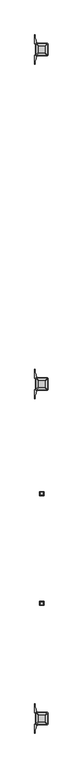
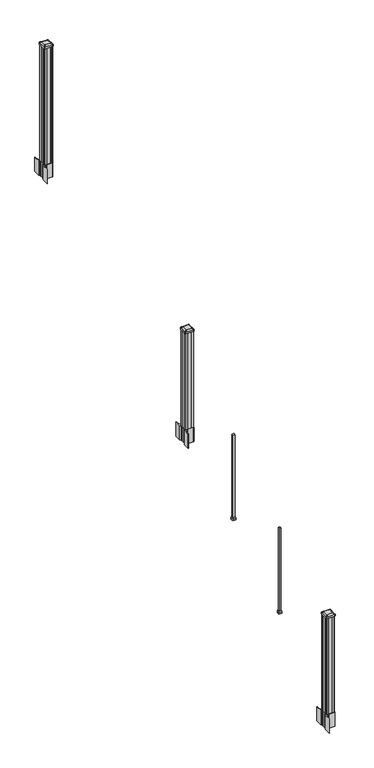
"""IFC4 building model written with IfcOpenShell, lengths in millimetres: railing geometry."""

from ifc_helpers import new_model, si_unit, point, frame, frame_2d, origin, place, context, project, spatial, polyline, circle_curve, trimmed, segment, composite_curve, outline, extrude, faceted_brep, source, transform, mapped, element, save
from ifc_brep_helpers import plane_surface, extruded_surface, advanced_brep


def railing_48e542eb(model_context):
    return source(origin(), model_context, "Body", "SolidModel", [
        extrude(outline(composite_curve([segment(polyline([(8374.3731478, -100734.6489401), (8375.9606478, -100735.4109401), (8375.9606478, -100758.2128682), (8372.5876707, -100761.5858453), (8311.1279999, -100761.5858453), (8311.1279999, -100762.5065953), (8305.8104561, -100762.5065953), (8305.8104561, -100763.96085), (8300.7259264, -100763.96085), (8300.7259264, -100765.2448738), (8299.0586541, -100765.2448738)]), True, "CONTINUOUS"), segment(trimmed(circle_curve(frame_2d((8299.0586541, -100772.3043337)), 7.0594599), [point((8299.0586541, -100765.2448738))], [point((8292.2913912, -100770.294327))], True, "CARTESIAN"), True, "CONTINUOUS"), segment(polyline([(8292.2913912, -100770.294327), (8284.4171969, -100796.8050561)]), True, "CONTINUOUS"), segment(trimmed(circle_curve(frame_2d((8339.2017103, -100813.0771057)), 57.15), [point((8284.4171969, -100796.8050561))], [point((8282.0517103, -100813.0771057))], True, "CARTESIAN"), True, "CONTINUOUS"), segment(polyline([(8282.0517103, -100813.0771057), (8282.0517103, -100825.0858453), (8279.0517103, -100825.0858453), (8279.0517103, -100759.9983453), (8287.3146478, -100748.660054), (8287.3146478, -100735.4109401), (8288.9021478, -100734.6489401), (8288.9021478, -100699.8767504), (8287.3146478, -100699.1147504), (8287.3146478, -100685.8656366), (8279.0517103, -100674.5273453), (8279.0517103, -100609.4398453), (8282.0517103, -100609.4398453), (8282.0517103, -100621.4485848)]), True, "CONTINUOUS"), segment(trimmed(circle_curve(frame_2d((8339.2017103, -100621.4485848)), 57.15), [point((8282.0517103, -100621.4485848))], [point((8284.4171969, -100637.7206345))], True, "CARTESIAN"), True, "CONTINUOUS"), segment(polyline([(8284.4171969, -100637.7206345), (8292.2913912, -100664.2313636)]), True, "CONTINUOUS"), segment(trimmed(circle_curve(frame_2d((8299.0586541, -100662.2213569)), 7.0594599), [point((8292.2913912, -100664.2313636))], [point((8299.0586541, -100669.2808168))], True, "CARTESIAN"), True, "CONTINUOUS"), segment(polyline([(8299.0586541, -100669.2808168), (8300.7259264, -100669.2808168), (8300.7259264, -100670.5648406), (8305.8104561, -100670.5648406), (8305.8104561, -100672.0190953), (8311.1279999, -100672.0190953), (8311.1279999, -100672.9398453), (8372.5876707, -100672.9398453), (8375.9606478, -100676.3128224), (8375.9606478, -100699.1147504), (8374.3731478, -100699.8767504), (8374.3731478, -100734.6489401)]), True, "CONTINUOUS")], self_intersect=False), holes=[polyline([(8290.3626478, -100677.5753453), (8290.3626478, -100756.9503453), (8291.9501478, -100758.5378453), (8328.8744304, -100758.5378453), (8371.3251478, -100758.5378453), (8372.9126478, -100756.9503453), (8372.9126478, -100677.5753453), (8371.3251478, -100675.9878453), (8328.8744304, -100675.9878453), (8291.9501478, -100675.9878453), (8290.3626478, -100677.5753453)])]), frame((0.0, 0.0, 1562.1), z_axis=(0.0, 0.0, 1.0), x_axis=(1.0, 0.0, 0.0)), (0.0, 0.0, 1.0), 152.4),
        advanced_brep(
        [(8305.8407728, -100746.2347203, 2774.439263), (8357.4345228, -100746.2347203, 2774.439263), (8360.6095228, -100743.0597203, 2774.439263), (8360.6095228, -100691.4659703, 2774.439263), (8357.4345228, -100688.2909703, 2774.439263), (8305.8407728, -100688.2909703, 2774.439263), (8302.6657728, -100691.4659703, 2774.439263), (8302.6657728, -100743.0597203, 2774.439263), (8289.5688978, -100762.5065953, 2763.136263), (8286.3938978, -100759.3315953, 2763.136263), (8286.3938978, -100675.1940953, 2763.136263), (8289.5688978, -100672.0190953, 2763.136263), (8373.7063978, -100672.0190953, 2763.136263), (8376.8813978, -100675.1940953, 2763.136263), (8376.8813978, -100759.3315953, 2763.136263), (8373.7063978, -100762.5065953, 2763.136263)],
        [
            (0, 1),
            (1, 2, circle_curve(frame((8357.4345228, -100743.0597203, 2774.439263), z_axis=(0.0, 0.0, 1.0), x_axis=(0.0, 1.0, 0.0)), 3.175)),
            (2, 3),
            (3, 4, circle_curve(frame((8357.4345228, -100691.4659703, 2774.439263), z_axis=(0.0, 0.0, 1.0), x_axis=(0.0, 1.0, 0.0)), 3.175)),
            (4, 5),
            (5, 6, circle_curve(frame((8305.8407728, -100691.4659703, 2774.439263), z_axis=(0.0, 0.0, 1.0), x_axis=(0.0, 1.0, 0.0)), 3.175)),
            (6, 7),
            (7, 0, circle_curve(frame((8305.8407728, -100743.0597203, 2774.439263), z_axis=(0.0, 0.0, 1.0), x_axis=(0.0, 1.0, 0.0)), 3.175)),
            (8, 9, circle_curve(frame((8289.5688978, -100759.3315953, 2763.136263), z_axis=(0.0, 0.0, -1.0), x_axis=(0.0, 1.0, 0.0)), 3.175)),
            (9, 10),
            (10, 11, circle_curve(frame((8289.5688978, -100675.1940953, 2763.136263), z_axis=(0.0, 0.0, -1.0), x_axis=(0.0, 1.0, 0.0)), 3.175)),
            (11, 12),
            (12, 13, circle_curve(frame((8373.7063978, -100675.1940953, 2763.136263), z_axis=(0.0, 0.0, -1.0), x_axis=(0.0, 1.0, 0.0)), 3.175)),
            (13, 14),
            (14, 15, circle_curve(frame((8373.7063978, -100759.3315953, 2763.136263), z_axis=(0.0, 0.0, -1.0), x_axis=(0.0, 1.0, 0.0)), 3.175)),
            (15, 8),
            (8, 0),
            (7, 9),
            (6, 10),
            (5, 11),
            (4, 12),
            (3, 13),
            (2, 14),
            (1, 15),
        ],
        [
            plane_surface(frame((8331.6376478, -100717.2628453, 2774.439263), z_axis=(0.0, 0.0, 1.0), x_axis=(-1.0, 0.0, 0.0))),
            plane_surface(frame((8331.6376478, -100717.2628453, 2763.136263), z_axis=(0.0, 0.0, -1.0), x_axis=(-1.0, 0.0, 0.0))),
            extruded_surface(trimmed(circle_curve(frame((8305.8407728, -100743.0597203, 2774.439263), z_axis=(0.0, 0.0, -1.0), x_axis=(0.0, 1.0, 0.0)), 3.175), [point((8305.8407728, -100746.2347203, 2774.439263))], [point((8302.6657728, -100743.0597203, 2774.439263))], True, "CARTESIAN"), (-16.271875000000364, -16.27187499999127, -11.303000000000338), 25.637972638861),
            plane_surface(frame((8286.3938978, -100717.2628453, 2763.136263), z_axis=(-0.5705009161540778, 0.0, 0.8212969649690408), x_axis=(0.0, 1.0, 0.0))),
            extruded_surface(trimmed(circle_curve(frame((8305.8407728, -100691.4659703, 2774.439263), z_axis=(0.0, 0.0, -1.0), x_axis=(0.0, 1.0, 0.0)), 3.175), [point((8302.6657728, -100691.4659703, 2774.439263))], [point((8305.8407728, -100688.2909703, 2774.439263))], True, "CARTESIAN"), (-16.271875000000364, 16.27187500000582, -11.303000000000338), 25.637972638870238),
            plane_surface(frame((8331.6376478, -100672.0190953, 2763.136263), z_axis=(0.0, 0.5705009161540291, 0.8212969649690747), x_axis=(1.0, 0.0, 0.0))),
            extruded_surface(trimmed(circle_curve(frame((8357.4345228, -100691.4659703, 2774.439263), z_axis=(0.0, 0.0, -1.0), x_axis=(0.0, 1.0, 0.0)), 3.175), [point((8357.4345228, -100688.2909703, 2774.439263))], [point((8360.6095228, -100691.4659703, 2774.439263))], True, "CARTESIAN"), (16.271875000000364, 16.27187500000582, -11.303000000000338), 25.637972638870238),
            plane_surface(frame((8376.8813978, -100717.2628453, 2763.136263), z_axis=(0.5705009161540142, 0.0, 0.8212969649690851), x_axis=(0.0, -1.0, 0.0))),
            extruded_surface(trimmed(circle_curve(frame((8357.4345228, -100743.0597203, 2774.439263), z_axis=(0.0, 0.0, -1.0), x_axis=(0.0, 1.0, 0.0)), 3.175), [point((8360.6095228, -100743.0597203, 2774.439263))], [point((8357.4345228, -100746.2347203, 2774.439263))], True, "CARTESIAN"), (16.271875000000364, -16.27187499999127, -11.303000000000338), 25.637972638861),
            plane_surface(frame((8331.6376478, -100762.5065953, 2763.136263), z_axis=(0.0, -0.570500916154034, 0.8212969649690713), x_axis=(-1.0, 0.0, 0.0))),
        ],
        [
            (0, [[1, 2, 3, 4, 5, 6, 7, 8]]),
            (1, [[9, 10, 11, 12, 13, 14, 15, 16]]),
            (2, [[17, -8, 18, -9]]),
            (3, [[-18, -7, 19, -10]]),
            (4, [[-19, -6, 20, -11]]),
            (5, [[-20, -5, 21, -12]]),
            (6, [[-21, -4, 22, -13]]),
            (7, [[-22, -3, 23, -14]]),
            (8, [[-23, -2, 24, -15]]),
            (9, [[-24, -1, -17, -16]]),
        ],
    ),
        extrude(outline(composite_curve([segment(trimmed(circle_curve(frame_2d((8289.5688978, -100759.3315953)), 3.175), [point((8289.5688978, -100762.5065953))], [point((8286.3938978, -100759.3315953))], False, "CARTESIAN"), True, "CONTINUOUS"), segment(polyline([(8286.3938978, -100759.3315953), (8286.3938978, -100675.1940953)]), True, "CONTINUOUS"), segment(trimmed(circle_curve(frame_2d((8289.5688978, -100675.1940953)), 3.175), [point((8286.3938978, -100675.1940953))], [point((8289.5688978, -100672.0190953))], False, "CARTESIAN"), True, "CONTINUOUS"), segment(polyline([(8289.5688978, -100672.0190953), (8373.7063978, -100672.0190953)]), True, "CONTINUOUS"), segment(trimmed(circle_curve(frame_2d((8373.7063978, -100675.1940953)), 3.175), [point((8373.7063978, -100672.0190953))], [point((8376.8813978, -100675.1940953))], False, "CARTESIAN"), True, "CONTINUOUS"), segment(polyline([(8376.8813978, -100675.1940953), (8376.8813978, -100759.3315953)]), True, "CONTINUOUS"), segment(trimmed(circle_curve(frame_2d((8373.7063978, -100759.3315953)), 3.175), [point((8376.8813978, -100759.3315953))], [point((8373.7063978, -100762.5065953))], False, "CARTESIAN"), True, "CONTINUOUS"), segment(polyline([(8373.7063978, -100762.5065953), (8289.5688978, -100762.5065953)]), True, "CONTINUOUS")], self_intersect=False)), frame((0.0, 0.0, 2745.864263), z_axis=(0.0, 0.0, 1.0), x_axis=(1.0, 0.0, 0.0)), (0.0, 0.0, 1.0), 17.272),
        extrude(outline(polyline([(8291.9501478, -100758.5378453), (8290.3626478, -100756.9503453), (8290.3626478, -100737.3288453), (8291.9501478, -100736.5668453), (8291.9501478, -100697.9588453), (8290.3626478, -100697.1968453), (8290.3626478, -100677.5753453), (8291.9501478, -100675.9878453), (8311.5716478, -100675.9878453), (8312.3336478, -100677.5753453), (8350.9416478, -100677.5753453), (8351.7036478, -100675.9878453), (8371.3251478, -100675.9878453), (8372.9126478, -100677.5753453), (8372.9126478, -100697.1968453), (8371.3251478, -100697.9588453), (8371.3251478, -100736.5668453), (8372.9126478, -100737.3288453), (8372.9126478, -100756.9503453), (8371.3251478, -100758.5378453), (8351.7036478, -100758.5378453), (8350.9416478, -100756.9503453), (8312.3336478, -100756.9503453), (8311.5716478, -100758.5378453), (8291.9501478, -100758.5378453)])), frame((0.0, 0.0, 1714.5), z_axis=(0.0, 0.0, 1.0), x_axis=(1.0, 0.0, 0.0)), (0.0, 0.0, 1.0), 1031.364263),
        faceted_brep([(8344.3376478, -101542.7628453, 1238.6497081), (8344.3376478, -101517.3628453, 1238.6497081), (8318.9376478, -101517.3628453, 1238.6497081), (8318.9376478, -101542.7628453, 1238.6497081), (8347.5126478, -101545.9378453, 1222.7747081), (8315.7626478, -101545.9378453, 1222.7747081), (8315.7626478, -101514.1878453, 1222.7747081), (8347.5126478, -101514.1878453, 1222.7747081)], [[[0, 1, 2, 3]], [[4, 5, 6, 7]], [[4, 0, 3, 5]], [[5, 3, 2, 6]], [[6, 2, 1, 7]], [[7, 1, 0, 4]]]),
        extrude(outline(polyline([(8347.5126478, -101545.9378453), (8315.7626478, -101545.9378453), (8315.7626478, -101514.1878453), (8347.5126478, -101514.1878453), (8347.5126478, -101545.9378453)])), frame((0.0, 0.0, 1206.5), z_axis=(0.0, 0.0, 1.0), x_axis=(1.0, 0.0, 0.0)), (0.0, 0.0, 1.0), 16.2747081),
        extrude(outline(polyline([(8341.1626478, -101539.5878453), (8322.1126478, -101539.5878453), (8322.1126478, -101520.5378453), (8341.1626478, -101520.5378453), (8341.1626478, -101539.5878453)])), frame((0.0, 0.0, 1206.5), z_axis=(0.0, 0.0, 1.0), x_axis=(1.0, 0.0, 0.0)), (0.0, 0.0, 1.0), 914.4),
        faceted_brep([(8344.3376478, -102355.5628453, 730.6497081), (8344.3376478, -102330.1628453, 730.6497081), (8318.9376478, -102330.1628453, 730.6497081), (8318.9376478, -102355.5628453, 730.6497081), (8347.5126478, -102358.7378453, 714.7747081), (8315.7626478, -102358.7378453, 714.7747081), (8315.7626478, -102326.9878453, 714.7747081), (8347.5126478, -102326.9878453, 714.7747081)], [[[0, 1, 2, 3]], [[4, 5, 6, 7]], [[4, 0, 3, 5]], [[5, 3, 2, 6]], [[6, 2, 1, 7]], [[7, 1, 0, 4]]]),
        extrude(outline(polyline([(8347.5126478, -102358.7378453), (8315.7626478, -102358.7378453), (8315.7626478, -102326.9878453), (8347.5126478, -102326.9878453), (8347.5126478, -102358.7378453)])), frame((0.0, 0.0, 698.5), z_axis=(0.0, 0.0, 1.0), x_axis=(1.0, 0.0, 0.0)), (0.0, 0.0, 1.0), 16.2747081),
        extrude(outline(polyline([(8341.1626478, -102352.3878453), (8322.1126478, -102352.3878453), (8322.1126478, -102333.3378453), (8341.1626478, -102333.3378453), (8341.1626478, -102352.3878453)])), frame((0.0, 0.0, 698.5), z_axis=(0.0, 0.0, 1.0), x_axis=(1.0, 0.0, 0.0)), (0.0, 0.0, 1.0), 914.4),
        extrude(outline(polyline([(8291.9501478, -98278.7358453), (8290.3626478, -98277.1483453), (8290.3626478, -98257.5268453), (8291.9501478, -98256.7648453), (8291.9501478, -98218.1568453), (8290.3626478, -98217.3948453), (8290.3626478, -98197.7733453), (8291.9501478, -98196.1858453), (8311.5716478, -98196.1858453), (8312.3336478, -98197.7733453), (8350.9416478, -98197.7733453), (8351.7036478, -98196.1858453), (8371.3251478, -98196.1858453), (8372.9126478, -98197.7733453), (8372.9126478, -98217.3948453), (8371.3251478, -98218.1568453), (8371.3251478, -98256.7648453), (8372.9126478, -98257.5268453), (8372.9126478, -98277.1483453), (8371.3251478, -98278.7358453), (8351.7036478, -98278.7358453), (8350.9416478, -98277.1483453), (8312.3336478, -98277.1483453), (8311.5716478, -98278.7358453), (8291.9501478, -98278.7358453)])), frame((0.0, 0.0, 3048.0), z_axis=(0.0, 0.0, 1.0), x_axis=(1.0, 0.0, 0.0)), (0.0, 0.0, 1.0), 1247.740513),
        extrude(outline(composite_curve([segment(polyline([(8374.3731478, -98254.8469401), (8375.9606478, -98255.6089401), (8375.9606478, -98278.4108682), (8372.5876707, -98281.7838453), (8311.1279999, -98281.7838453), (8311.1279999, -98282.7045953), (8305.8104561, -98282.7045953), (8305.8104561, -98284.15885), (8300.7259264, -98284.15885), (8300.7259264, -98285.4428738), (8299.0586541, -98285.4428738)]), True, "CONTINUOUS"), segment(trimmed(circle_curve(frame_2d((8299.0586541, -98292.5023337)), 7.0594599), [point((8299.0586541, -98285.4428738))], [point((8292.2913912, -98290.492327))], True, "CARTESIAN"), True, "CONTINUOUS"), segment(polyline([(8292.2913912, -98290.492327), (8284.4171969, -98317.0030561)]), True, "CONTINUOUS"), segment(trimmed(circle_curve(frame_2d((8339.2017103, -98333.2751057)), 57.15), [point((8284.4171969, -98317.0030561))], [point((8282.0517103, -98333.2751057))], True, "CARTESIAN"), True, "CONTINUOUS"), segment(polyline([(8282.0517103, -98333.2751057), (8282.0517103, -98345.2838453), (8279.0517103, -98345.2838453), (8279.0517103, -98280.1963453), (8287.3146478, -98268.858054), (8287.3146478, -98255.6089401), (8288.9021478, -98254.8469401), (8288.9021478, -98220.0747504), (8287.3146478, -98219.3127504), (8287.3146478, -98206.0636366), (8279.0517103, -98194.7253453), (8279.0517103, -98129.6378453), (8282.0517103, -98129.6378453), (8282.0517103, -98141.6465848)]), True, "CONTINUOUS"), segment(trimmed(circle_curve(frame_2d((8339.2017103, -98141.6465848)), 57.15), [point((8282.0517103, -98141.6465848))], [point((8284.4171969, -98157.9186345))], True, "CARTESIAN"), True, "CONTINUOUS"), segment(polyline([(8284.4171969, -98157.9186345), (8292.2913912, -98184.4293636)]), True, "CONTINUOUS"), segment(trimmed(circle_curve(frame_2d((8299.0586541, -98182.4193569)), 7.0594599), [point((8292.2913912, -98184.4293636))], [point((8299.0586541, -98189.4788168))], True, "CARTESIAN"), True, "CONTINUOUS"), segment(polyline([(8299.0586541, -98189.4788168), (8300.7259264, -98189.4788168), (8300.7259264, -98190.7628406), (8305.8104561, -98190.7628406), (8305.8104561, -98192.2170953), (8311.1279999, -98192.2170953), (8311.1279999, -98193.1378453), (8372.5876707, -98193.1378453), (8375.9606478, -98196.5108224), (8375.9606478, -98219.3127504), (8374.3731478, -98220.0747504), (8374.3731478, -98254.8469401)]), True, "CONTINUOUS")], self_intersect=False), holes=[polyline([(8290.3626478, -98197.7733453), (8290.3626478, -98277.1483453), (8291.9501478, -98278.7358453), (8328.8744304, -98278.7358453), (8371.3251478, -98278.7358453), (8372.9126478, -98277.1483453), (8372.9126478, -98197.7733453), (8371.3251478, -98196.1858453), (8328.8744304, -98196.1858453), (8291.9501478, -98196.1858453), (8290.3626478, -98197.7733453)])]), frame((0.0, 0.0, 2895.6), z_axis=(0.0, 0.0, 1.0), x_axis=(1.0, 0.0, 0.0)), (0.0, 0.0, 1.0), 152.4),
        advanced_brep(
        [(8305.8407728, -98266.4327203, 4324.315513), (8357.4345228, -98266.4327203, 4324.315513), (8360.6095228, -98263.2577203, 4324.315513), (8360.6095228, -98211.6639703, 4324.315513), (8357.4345228, -98208.4889703, 4324.315513), (8305.8407728, -98208.4889703, 4324.315513), (8302.6657728, -98211.6639703, 4324.315513), (8302.6657728, -98263.2577203, 4324.315513), (8289.5688978, -98282.7045953, 4313.012513), (8286.3938978, -98279.5295953, 4313.012513), (8286.3938978, -98195.3920953, 4313.012513), (8289.5688978, -98192.2170953, 4313.012513), (8373.7063978, -98192.2170953, 4313.012513), (8376.8813978, -98195.3920953, 4313.012513), (8376.8813978, -98279.5295953, 4313.012513), (8373.7063978, -98282.7045953, 4313.012513)],
        [
            (0, 1),
            (1, 2, circle_curve(frame((8357.4345228, -98263.2577203, 4324.315513), z_axis=(0.0, 0.0, 1.0), x_axis=(0.0, 1.0, 0.0)), 3.175)),
            (2, 3),
            (3, 4, circle_curve(frame((8357.4345228, -98211.6639703, 4324.315513), z_axis=(0.0, 0.0, 1.0), x_axis=(0.0, 1.0, 0.0)), 3.175)),
            (4, 5),
            (5, 6, circle_curve(frame((8305.8407728, -98211.6639703, 4324.315513), z_axis=(0.0, 0.0, 1.0), x_axis=(0.0, 1.0, 0.0)), 3.175)),
            (6, 7),
            (7, 0, circle_curve(frame((8305.8407728, -98263.2577203, 4324.315513), z_axis=(0.0, 0.0, 1.0), x_axis=(0.0, 1.0, 0.0)), 3.175)),
            (8, 9, circle_curve(frame((8289.5688978, -98279.5295953, 4313.012513), z_axis=(0.0, 0.0, -1.0), x_axis=(0.0, 1.0, 0.0)), 3.175)),
            (9, 10),
            (10, 11, circle_curve(frame((8289.5688978, -98195.3920953, 4313.012513), z_axis=(0.0, 0.0, -1.0), x_axis=(0.0, 1.0, 0.0)), 3.175)),
            (11, 12),
            (12, 13, circle_curve(frame((8373.7063978, -98195.3920953, 4313.012513), z_axis=(0.0, 0.0, -1.0), x_axis=(0.0, 1.0, 0.0)), 3.175)),
            (13, 14),
            (14, 15, circle_curve(frame((8373.7063978, -98279.5295953, 4313.012513), z_axis=(0.0, 0.0, -1.0), x_axis=(0.0, 1.0, 0.0)), 3.175)),
            (15, 8),
            (8, 0),
            (7, 9),
            (6, 10),
            (5, 11),
            (4, 12),
            (3, 13),
            (2, 14),
            (1, 15),
        ],
        [
            plane_surface(frame((8331.6376478, -98237.4608453, 4324.315513), z_axis=(0.0, 0.0, 1.0), x_axis=(-1.0, 0.0, 0.0))),
            plane_surface(frame((8331.6376478, -98237.4608453, 4313.012513), z_axis=(0.0, 0.0, -1.0), x_axis=(-1.0, 0.0, 0.0))),
            extruded_surface(trimmed(circle_curve(frame((8305.8407728, -98263.2577203, 4324.315513), z_axis=(0.0, 0.0, -1.0), x_axis=(0.0, 1.0, 0.0)), 3.175), [point((8305.8407728, -98266.4327203, 4324.315513))], [point((8302.6657728, -98263.2577203, 4324.315513))], True, "CARTESIAN"), (-16.271875000000364, -16.27187500000582, -11.302999999999884), 25.637972638870036),
            plane_surface(frame((8286.3938978, -98237.4608453, 4313.012513), z_axis=(-0.5705009161540687, 0.0, 0.8212969649690472), x_axis=(0.0, 1.0, 0.0))),
            extruded_surface(trimmed(circle_curve(frame((8305.8407728, -98211.6639703, 4324.315513), z_axis=(0.0, 0.0, -1.0), x_axis=(0.0, 1.0, 0.0)), 3.175), [point((8302.6657728, -98211.6639703, 4324.315513))], [point((8305.8407728, -98208.4889703, 4324.315513))], True, "CARTESIAN"), (-16.271875000000364, 16.27187499999127, -11.302999999999884), 25.637972638860802),
            plane_surface(frame((8331.6376478, -98192.2170953, 4313.012513), z_axis=(0.0, 0.5705009161540291, 0.8212969649690747), x_axis=(1.0, 0.0, 0.0))),
            extruded_surface(trimmed(circle_curve(frame((8357.4345228, -98211.6639703, 4324.315513), z_axis=(0.0, 0.0, -1.0), x_axis=(0.0, 1.0, 0.0)), 3.175), [point((8357.4345228, -98208.4889703, 4324.315513))], [point((8360.6095228, -98211.6639703, 4324.315513))], True, "CARTESIAN"), (16.271875000000364, 16.27187499999127, -11.302999999999884), 25.637972638860802),
            plane_surface(frame((8376.8813978, -98237.4608453, 4313.012513), z_axis=(0.5705009161540233, 0.0, 0.8212969649690787), x_axis=(0.0, -1.0, 0.0))),
            extruded_surface(trimmed(circle_curve(frame((8357.4345228, -98263.2577203, 4324.315513), z_axis=(0.0, 0.0, -1.0), x_axis=(0.0, 1.0, 0.0)), 3.175), [point((8360.6095228, -98263.2577203, 4324.315513))], [point((8357.4345228, -98266.4327203, 4324.315513))], True, "CARTESIAN"), (16.271875000000364, -16.27187500000582, -11.302999999999884), 25.637972638870036),
            plane_surface(frame((8331.6376478, -98282.7045953, 4313.012513), z_axis=(0.0, -0.570500916154034, 0.8212969649690713), x_axis=(-1.0, 0.0, 0.0))),
        ],
        [
            (0, [[1, 2, 3, 4, 5, 6, 7, 8]]),
            (1, [[9, 10, 11, 12, 13, 14, 15, 16]]),
            (2, [[17, -8, 18, -9]]),
            (3, [[-18, -7, 19, -10]]),
            (4, [[-19, -6, 20, -11]]),
            (5, [[-20, -5, 21, -12]]),
            (6, [[-21, -4, 22, -13]]),
            (7, [[-22, -3, 23, -14]]),
            (8, [[-23, -2, 24, -15]]),
            (9, [[-24, -1, -17, -16]]),
        ],
    ),
        extrude(outline(composite_curve([segment(trimmed(circle_curve(frame_2d((8289.5688978, -98279.5295953)), 3.175), [point((8289.5688978, -98282.7045953))], [point((8286.3938978, -98279.5295953))], False, "CARTESIAN"), True, "CONTINUOUS"), segment(polyline([(8286.3938978, -98279.5295953), (8286.3938978, -98195.3920953)]), True, "CONTINUOUS"), segment(trimmed(circle_curve(frame_2d((8289.5688978, -98195.3920953)), 3.175), [point((8286.3938978, -98195.3920953))], [point((8289.5688978, -98192.2170953))], False, "CARTESIAN"), True, "CONTINUOUS"), segment(polyline([(8289.5688978, -98192.2170953), (8373.7063978, -98192.2170953)]), True, "CONTINUOUS"), segment(trimmed(circle_curve(frame_2d((8373.7063978, -98195.3920953)), 3.175), [point((8373.7063978, -98192.2170953))], [point((8376.8813978, -98195.3920953))], False, "CARTESIAN"), True, "CONTINUOUS"), segment(polyline([(8376.8813978, -98195.3920953), (8376.8813978, -98279.5295953)]), True, "CONTINUOUS"), segment(trimmed(circle_curve(frame_2d((8373.7063978, -98279.5295953)), 3.175), [point((8376.8813978, -98279.5295953))], [point((8373.7063978, -98282.7045953))], False, "CARTESIAN"), True, "CONTINUOUS"), segment(polyline([(8373.7063978, -98282.7045953), (8289.5688978, -98282.7045953)]), True, "CONTINUOUS")], self_intersect=False)), frame((0.0, 0.0, 4295.740513), z_axis=(0.0, 0.0, 1.0), x_axis=(1.0, 0.0, 0.0)), (0.0, 0.0, 1.0), 17.272),
        extrude(outline(composite_curve([segment(polyline([(8374.3731478, -103214.4509401), (8375.9606478, -103215.2129401), (8375.9606478, -103238.0148682), (8372.5876707, -103241.3878453), (8311.1279999, -103241.3878453), (8311.1279999, -103242.3085953), (8305.8104561, -103242.3085953), (8305.8104561, -103243.76285), (8300.7259264, -103243.76285), (8300.7259264, -103245.0468738), (8299.0586541, -103245.0468738)]), True, "CONTINUOUS"), segment(trimmed(circle_curve(frame_2d((8299.0586541, -103252.1063337)), 7.0594599), [point((8299.0586541, -103245.0468738))], [point((8292.2913912, -103250.096327))], True, "CARTESIAN"), True, "CONTINUOUS"), segment(polyline([(8292.2913912, -103250.096327), (8284.4171969, -103276.6070561)]), True, "CONTINUOUS"), segment(trimmed(circle_curve(frame_2d((8339.2017103, -103292.8791057)), 57.15), [point((8284.4171969, -103276.6070561))], [point((8282.0517103, -103292.8791057))], True, "CARTESIAN"), True, "CONTINUOUS"), segment(polyline([(8282.0517103, -103292.8791057), (8282.0517103, -103304.8878453), (8279.0517103, -103304.8878453), (8279.0517103, -103239.8003453), (8287.3146478, -103228.462054), (8287.3146478, -103215.2129401), (8288.9021478, -103214.4509401), (8288.9021478, -103179.6787504), (8287.3146478, -103178.9167504), (8287.3146478, -103165.6676366), (8279.0517103, -103154.3293453), (8279.0517103, -103089.2418453), (8282.0517103, -103089.2418453), (8282.0517103, -103101.2505848)]), True, "CONTINUOUS"), segment(trimmed(circle_curve(frame_2d((8339.2017103, -103101.2505848)), 57.15), [point((8282.0517103, -103101.2505848))], [point((8284.4171969, -103117.5226345))], True, "CARTESIAN"), True, "CONTINUOUS"), segment(polyline([(8284.4171969, -103117.5226345), (8292.2913912, -103144.0333636)]), True, "CONTINUOUS"), segment(trimmed(circle_curve(frame_2d((8299.0586541, -103142.0233569)), 7.0594599), [point((8292.2913912, -103144.0333636))], [point((8299.0586541, -103149.0828168))], True, "CARTESIAN"), True, "CONTINUOUS"), segment(polyline([(8299.0586541, -103149.0828168), (8300.7259264, -103149.0828168), (8300.7259264, -103150.3668406), (8305.8104561, -103150.3668406), (8305.8104561, -103151.8210953), (8311.1279999, -103151.8210953), (8311.1279999, -103152.7418453), (8372.5876707, -103152.7418453), (8375.9606478, -103156.1148224), (8375.9606478, -103178.9167504), (8374.3731478, -103179.6787504), (8374.3731478, -103214.4509401)]), True, "CONTINUOUS")], self_intersect=False), holes=[polyline([(8290.3626478, -103157.3773453), (8290.3626478, -103236.7523453), (8291.9501478, -103238.3398453), (8328.8744304, -103238.3398453), (8371.3251478, -103238.3398453), (8372.9126478, -103236.7523453), (8372.9126478, -103157.3773453), (8371.3251478, -103155.7898453), (8328.8744304, -103155.7898453), (8291.9501478, -103155.7898453), (8290.3626478, -103157.3773453)])]), frame((0.0, 0.0, 12.22375), z_axis=(0.0, 0.0, 1.0), x_axis=(1.0, 0.0, 0.0)), (0.0, 0.0, 1.0), 152.4),
        advanced_brep(
        [(8305.8407728, -103226.0367203, 1224.563013), (8357.4345228, -103226.0367203, 1224.563013), (8360.6095228, -103222.8617203, 1224.563013), (8360.6095228, -103171.2679703, 1224.563013), (8357.4345228, -103168.0929703, 1224.563013), (8305.8407728, -103168.0929703, 1224.563013), (8302.6657728, -103171.2679703, 1224.563013), (8302.6657728, -103222.8617203, 1224.563013), (8289.5688978, -103242.3085953, 1213.260013), (8286.3938978, -103239.1335953, 1213.260013), (8286.3938978, -103154.9960953, 1213.260013), (8289.5688978, -103151.8210953, 1213.260013), (8373.7063978, -103151.8210953, 1213.260013), (8376.8813978, -103154.9960953, 1213.260013), (8376.8813978, -103239.1335953, 1213.260013), (8373.7063978, -103242.3085953, 1213.260013)],
        [
            (0, 1),
            (1, 2, circle_curve(frame((8357.4345228, -103222.8617203, 1224.563013), z_axis=(0.0, 0.0, 1.0), x_axis=(0.0, 1.0, 0.0)), 3.175)),
            (2, 3),
            (3, 4, circle_curve(frame((8357.4345228, -103171.2679703, 1224.563013), z_axis=(0.0, 0.0, 1.0), x_axis=(0.0, 1.0, 0.0)), 3.175)),
            (4, 5),
            (5, 6, circle_curve(frame((8305.8407728, -103171.2679703, 1224.563013), z_axis=(0.0, 0.0, 1.0), x_axis=(0.0, 1.0, 0.0)), 3.175)),
            (6, 7),
            (7, 0, circle_curve(frame((8305.8407728, -103222.8617203, 1224.563013), z_axis=(0.0, 0.0, 1.0), x_axis=(0.0, 1.0, 0.0)), 3.175)),
            (8, 9, circle_curve(frame((8289.5688978, -103239.1335953, 1213.260013), z_axis=(0.0, 0.0, -1.0), x_axis=(0.0, 1.0, 0.0)), 3.175)),
            (9, 10),
            (10, 11, circle_curve(frame((8289.5688978, -103154.9960953, 1213.260013), z_axis=(0.0, 0.0, -1.0), x_axis=(0.0, 1.0, 0.0)), 3.175)),
            (11, 12),
            (12, 13, circle_curve(frame((8373.7063978, -103154.9960953, 1213.260013), z_axis=(0.0, 0.0, -1.0), x_axis=(0.0, 1.0, 0.0)), 3.175)),
            (13, 14),
            (14, 15, circle_curve(frame((8373.7063978, -103239.1335953, 1213.260013), z_axis=(0.0, 0.0, -1.0), x_axis=(0.0, 1.0, 0.0)), 3.175)),
            (15, 8),
            (8, 0),
            (7, 9),
            (6, 10),
            (5, 11),
            (4, 12),
            (3, 13),
            (2, 14),
            (1, 15),
        ],
        [
            plane_surface(frame((8331.6376478, -103197.0648453, 1224.563013), z_axis=(0.0, 0.0, 1.0), x_axis=(-1.0, 0.0, 0.0))),
            plane_surface(frame((8331.6376478, -103197.0648453, 1213.260013), z_axis=(0.0, 0.0, -1.0), x_axis=(-1.0, 0.0, 0.0))),
            extruded_surface(trimmed(circle_curve(frame((8305.8407728, -103222.8617203, 1224.563013), z_axis=(0.0, 0.0, -1.0), x_axis=(0.0, 1.0, 0.0)), 3.175), [point((8305.8407728, -103226.0367203, 1224.563013))], [point((8302.6657728, -103222.8617203, 1224.563013))], True, "CARTESIAN"), (-16.271875000000364, -16.27187499999127, -11.302999999999884), 25.637972638860802),
            plane_surface(frame((8286.3938978, -103197.0648453, 1213.260013), z_axis=(-0.5705009161540778, 0.0, 0.8212969649690408), x_axis=(0.0, 1.0, 0.0))),
            extruded_surface(trimmed(circle_curve(frame((8305.8407728, -103171.2679703, 1224.563013), z_axis=(0.0, 0.0, -1.0), x_axis=(0.0, 1.0, 0.0)), 3.175), [point((8302.6657728, -103171.2679703, 1224.563013))], [point((8305.8407728, -103168.0929703, 1224.563013))], True, "CARTESIAN"), (-16.271875000000364, 16.27187500000582, -11.302999999999884), 25.637972638870036),
            plane_surface(frame((8331.6376478, -103151.8210953, 1213.260013), z_axis=(0.0, 0.5705009161540291, 0.8212969649690747), x_axis=(1.0, 0.0, 0.0))),
            extruded_surface(trimmed(circle_curve(frame((8357.4345228, -103171.2679703, 1224.563013), z_axis=(0.0, 0.0, -1.0), x_axis=(0.0, 1.0, 0.0)), 3.175), [point((8357.4345228, -103168.0929703, 1224.563013))], [point((8360.6095228, -103171.2679703, 1224.563013))], True, "CARTESIAN"), (16.271875000000364, 16.27187500000582, -11.302999999999884), 25.637972638870036),
            plane_surface(frame((8376.8813978, -103197.0648453, 1213.260013), z_axis=(0.5705009161540142, 0.0, 0.8212969649690851), x_axis=(0.0, -1.0, 0.0))),
            extruded_surface(trimmed(circle_curve(frame((8357.4345228, -103222.8617203, 1224.563013), z_axis=(0.0, 0.0, -1.0), x_axis=(0.0, 1.0, 0.0)), 3.175), [point((8360.6095228, -103222.8617203, 1224.563013))], [point((8357.4345228, -103226.0367203, 1224.563013))], True, "CARTESIAN"), (16.271875000000364, -16.27187499999127, -11.302999999999884), 25.637972638860802),
            plane_surface(frame((8331.6376478, -103242.3085953, 1213.260013), z_axis=(0.0, -0.570500916154034, 0.8212969649690713), x_axis=(-1.0, 0.0, 0.0))),
        ],
        [
            (0, [[1, 2, 3, 4, 5, 6, 7, 8]]),
            (1, [[9, 10, 11, 12, 13, 14, 15, 16]]),
            (2, [[17, -8, 18, -9]]),
            (3, [[-18, -7, 19, -10]]),
            (4, [[-19, -6, 20, -11]]),
            (5, [[-20, -5, 21, -12]]),
            (6, [[-21, -4, 22, -13]]),
            (7, [[-22, -3, 23, -14]]),
            (8, [[-23, -2, 24, -15]]),
            (9, [[-24, -1, -17, -16]]),
        ],
    ),
        extrude(outline(composite_curve([segment(trimmed(circle_curve(frame_2d((8289.5688978, -103239.1335953)), 3.175), [point((8289.5688978, -103242.3085953))], [point((8286.3938978, -103239.1335953))], False, "CARTESIAN"), True, "CONTINUOUS"), segment(polyline([(8286.3938978, -103239.1335953), (8286.3938978, -103154.9960953)]), True, "CONTINUOUS"), segment(trimmed(circle_curve(frame_2d((8289.5688978, -103154.9960953)), 3.175), [point((8286.3938978, -103154.9960953))], [point((8289.5688978, -103151.8210953))], False, "CARTESIAN"), True, "CONTINUOUS"), segment(polyline([(8289.5688978, -103151.8210953), (8373.7063978, -103151.8210953)]), True, "CONTINUOUS"), segment(trimmed(circle_curve(frame_2d((8373.7063978, -103154.9960953)), 3.175), [point((8373.7063978, -103151.8210953))], [point((8376.8813978, -103154.9960953))], False, "CARTESIAN"), True, "CONTINUOUS"), segment(polyline([(8376.8813978, -103154.9960953), (8376.8813978, -103239.1335953)]), True, "CONTINUOUS"), segment(trimmed(circle_curve(frame_2d((8373.7063978, -103239.1335953)), 3.175), [point((8376.8813978, -103239.1335953))], [point((8373.7063978, -103242.3085953))], False, "CARTESIAN"), True, "CONTINUOUS"), segment(polyline([(8373.7063978, -103242.3085953), (8289.5688978, -103242.3085953)]), True, "CONTINUOUS")], self_intersect=False)), frame((0.0, 0.0, 1195.988013), z_axis=(0.0, 0.0, 1.0), x_axis=(1.0, 0.0, 0.0)), (0.0, 0.0, 1.0), 17.272),
        extrude(outline(polyline([(8291.9501478, -103238.3398453), (8290.3626478, -103236.7523453), (8290.3626478, -103217.1308453), (8291.9501478, -103216.3688453), (8291.9501478, -103177.7608453), (8290.3626478, -103176.9988453), (8290.3626478, -103157.3773453), (8291.9501478, -103155.7898453), (8311.5716478, -103155.7898453), (8312.3336478, -103157.3773453), (8350.9416478, -103157.3773453), (8351.7036478, -103155.7898453), (8371.3251478, -103155.7898453), (8372.9126478, -103157.3773453), (8372.9126478, -103176.9988453), (8371.3251478, -103177.7608453), (8371.3251478, -103216.3688453), (8372.9126478, -103217.1308453), (8372.9126478, -103236.7523453), (8371.3251478, -103238.3398453), (8351.7036478, -103238.3398453), (8350.9416478, -103236.7523453), (8312.3336478, -103236.7523453), (8311.5716478, -103238.3398453), (8291.9501478, -103238.3398453)])), frame((0.0, 0.0, 164.62375), z_axis=(0.0, 0.0, 1.0), x_axis=(1.0, 0.0, 0.0)), (0.0, 0.0, 1.0), 1031.364263),
    ])


if __name__ == "__main__":
    model = new_model("IFC4")
    model_context = context("Model", 3, world=origin())
    ifc_project = project(units=[si_unit("LENGTHUNIT", "METRE", prefix="MILLI")], contexts=[model_context])
    site = spatial("IfcSite", under=ifc_project)
    building = spatial("IfcBuilding", under=site)
    placement = place(None, origin())
    railing_shape = railing_48e542eb(model_context)
    element("IfcRailing", 1, at=placement, inside=building, context=model_context, shape_type="MappedRepresentation", body=[
        mapped(railing_shape, transform((0.0, 0.0, 0.0), x_axis=(1.0, 0.0, 0.0), y_axis=(0.0, 1.0, 0.0), z_axis=(0.0, 0.0, 1.0))),
    ])
    save(model, "model.ifc")
